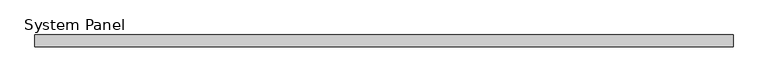
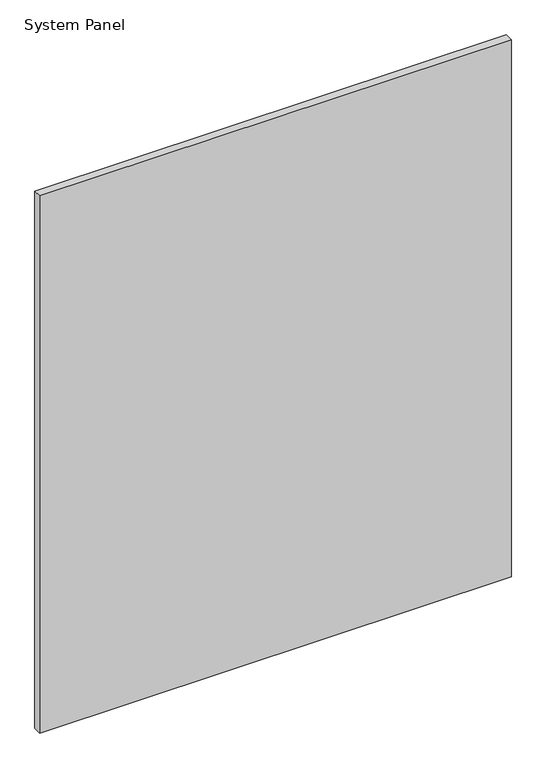
"""IFC4 building model written with IfcOpenShell, lengths in millimetres: plate geometry, System Panel."""

from ifc_helpers import new_model, si_unit, origin, origin_with_axes, place, context, project, spatial, polyline, outline, extrude, source, transform, mapped, element, save


def system_panel_df5ae58f(model_context):
    return source(origin(), model_context, "Body", "SweptSolid", [
        extrude(outline(polyline([(738.4511624, 44.45), (-738.4511624, 44.45), (-738.4511624, 69.85), (738.4511624, 69.85), (738.4511624, 44.45)])), origin_with_axes(), (0.0, 0.0, 1.0), 1777.5850657),
    ])


if __name__ == "__main__":
    model = new_model("IFC4")
    model_context = context("Model", 3, world=origin())
    ifc_project = project(units=[si_unit("LENGTHUNIT", "METRE", prefix="MILLI")], contexts=[model_context])
    site = spatial("IfcSite", under=ifc_project)
    building = spatial("IfcBuilding", under=site)
    placement = place(None, origin())
    system_panel_shape = system_panel_df5ae58f(model_context)
    element("IfcPlate", 1, ObjectType="System Panel", at=placement, inside=building, context=model_context, shape_type="MappedRepresentation", body=[
        mapped(system_panel_shape, transform((0.0, 0.0, 0.0), x_axis=(1.0, 0.0, 0.0), y_axis=(0.0, 1.0, 0.0), z_axis=(0.0, 0.0, 1.0))),
    ])
    save(model, "model.ifc")
